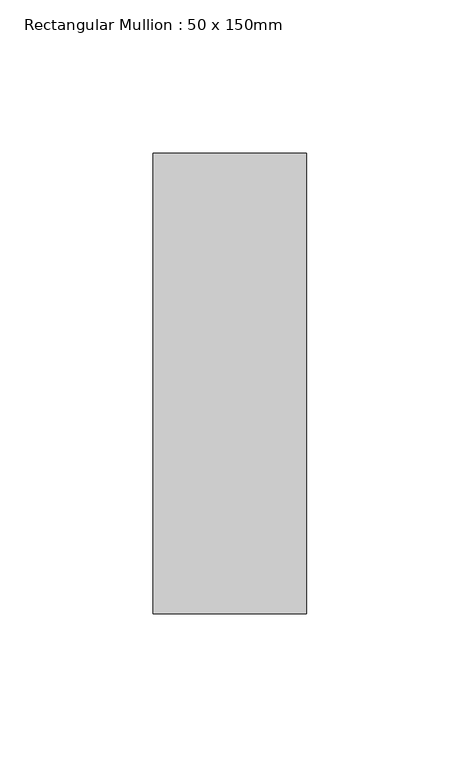
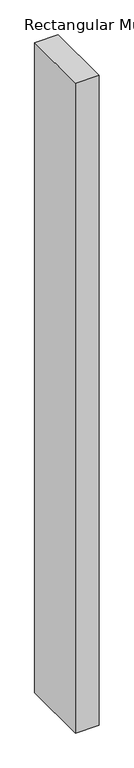
"""IFC4 building model written with IfcOpenShell, lengths in millimetres: member geometry, Rectangular Mullion : 50 x 150mm."""

import ifcopenshell
import ifcopenshell.guid

model = None  # the IFC model being written
_history = None  # IfcOwnerHistory: only IFC2X3 demands one
_inside = {}  # id of a spatial element -> (the spatial element, [elements in it])
_under = {}  # id of a project, library or spatial element -> (it, [spatial elements below it])
_declared = {}  # id of a project -> (the project, [libraries it declares])
_typed = {}  # id of a type object -> (the type object, [elements of that type])
_made_of = {}  # id of a material, layer set ... -> (it, [elements and type objects made of it])


def new_model(schema):
    """Start an empty IFC model of exactly this schema.

    Asked for "IFC4X3", IfcOpenShell would pick the latest addendum, in which some entities
    have other attributes; the version numbers below select the first issue.
    IFC2X3 requires an IfcOwnerHistory on every rooted entity: one is made here for all.
    """
    global model, _history
    if schema == "IFC4X3":
        model = ifcopenshell.file(schema_version=(4, 3, 0, 0))
    else:
        model = ifcopenshell.file(schema=schema)
    _inside.clear()
    _under.clear()
    _declared.clear()
    _typed.clear()
    _made_of.clear()
    _history = None
    if model.schema == "IFC2X3":
        org = make("IfcOrganization", Name="unknown")
        user = make(
            "IfcPersonAndOrganization",
            ThePerson=make("IfcPerson", FamilyName="unknown"),
            TheOrganization=org,
        )
        app = make(
            "IfcApplication",
            ApplicationDeveloper=org,
            Version="unknown",
            ApplicationFullName="unknown",
            ApplicationIdentifier="unknown",
        )
        _history = make(
            "IfcOwnerHistory",
            OwningUser=user,
            OwningApplication=app,
            ChangeAction="ADDED",
            CreationDate=0,
        )
    return model


def make(cls, **values):
    """One entity of the class cls with the attributes given. An attribute that is None is left unset."""
    return model.create_entity(
        cls, **{name: value for name, value in values.items() if value is not None}
    )


def rooted(cls, **values):
    """An entity with a GlobalId (a new one), such as an element, a storey or a relation."""
    return make(cls, GlobalId=ifcopenshell.guid.new(), OwnerHistory=_history, **values)


def si_unit(unit_type, name, prefix=None):
    """IfcSIUnit, for example si_unit("LENGTHUNIT", "METRE", prefix="MILLI")."""
    return make("IfcSIUnit", UnitType=unit_type, Prefix=prefix, Name=name)


def assignment(units):
    """IfcUnitAssignment: the units of a project."""
    return None if units is None else make("IfcUnitAssignment", Units=units)


def point(xyz):
    """IfcCartesianPoint."""
    return None if xyz is None else make("IfcCartesianPoint", Coordinates=xyz)


def direction(xyz):
    """IfcDirection."""
    return None if xyz is None else make("IfcDirection", DirectionRatios=xyz)


def frame(location, z_axis=None, x_axis=None):
    """IfcAxis2Placement3D, a coordinate frame: its origin and axes. An axis left out is left unset."""
    return make(
        "IfcAxis2Placement3D",
        Location=point(location),
        Axis=direction(z_axis),
        RefDirection=direction(x_axis),
    )


def origin():
    """The frame at (0, 0, 0) with its axes left unset."""
    return frame((0.0, 0.0, 0.0))


def place(relative_to, where):
    """IfcLocalPlacement: puts the frame where relative to a parent placement (None: the world)."""
    return make(
        "IfcLocalPlacement", PlacementRelTo=relative_to, RelativePlacement=where
    )


def context(
    kind, dimensions, precision=None, world=None, true_north=None, identifier=None
):
    """IfcGeometricRepresentationContext, for example the 3D "Model" context."""
    return make(
        "IfcGeometricRepresentationContext",
        ContextIdentifier=identifier,
        ContextType=kind,
        CoordinateSpaceDimension=dimensions,
        Precision=precision,
        WorldCoordinateSystem=world,
        TrueNorth=true_north,
    )


def project(units=None, contexts=None):
    """IfcProject with its units and contexts."""
    return rooted(
        "IfcProject",
        Name="project",
        RepresentationContexts=contexts,
        UnitsInContext=assignment(units),
    )


def spatial(cls, under=None, at=None, **own):
    """A site, building, storey or space (cls), placed at a placement, below another one or the project."""
    s = rooted(cls, ObjectPlacement=at, **own)
    if under is not None:
        _under.setdefault(under.id(), (under, []))[1].append(s)
    return s


def polyline(points):
    """IfcPolyline through the points."""
    return make("IfcPolyline", Points=[point(p) for p in points])


def outline(outer, holes=None, kind="AREA"):
    """IfcArbitraryClosedProfileDef: a profile drawn as a closed curve; with holes, ...WithVoids."""
    if holes is None:
        return make("IfcArbitraryClosedProfileDef", ProfileType=kind, OuterCurve=outer)
    return make(
        "IfcArbitraryProfileDefWithVoids",
        ProfileType=kind,
        OuterCurve=outer,
        InnerCurves=holes,
    )


def extrude(swept, where, along, depth):
    """IfcExtrudedAreaSolid: the profile swept, set in the frame where, extruded along a direction by depth."""
    return make(
        "IfcExtrudedAreaSolid",
        SweptArea=swept,
        Position=where,
        ExtrudedDirection=direction(along),
        Depth=depth,
    )


def shape(context_of_items, identifier, shape_type, items):
    """IfcShapeRepresentation: the items that make up one representation, for example the "Body"."""
    return make(
        "IfcShapeRepresentation",
        ContextOfItems=context_of_items,
        RepresentationIdentifier=identifier,
        RepresentationType=shape_type,
        Items=items,
    )


def source(mapping_origin, context_of_items, identifier, shape_type, items):
    """IfcRepresentationMap: a shape defined once, which mapped items show again and again."""
    return make(
        "IfcRepresentationMap",
        MappingOrigin=mapping_origin,
        MappedRepresentation=shape(context_of_items, identifier, shape_type, items),
    )


def transform(
    local_origin,
    x_axis=None,
    y_axis=None,
    z_axis=None,
    scale=None,
    scale2=None,
    scale3=None,
    uniform=True,
):
    """IfcCartesianTransformationOperator3D, or its non-uniform kind. x_axis, y_axis, z_axis: its Axis1, 2, 3."""
    if uniform:
        return make(
            "IfcCartesianTransformationOperator3D",
            Axis1=direction(x_axis),
            Axis2=direction(y_axis),
            LocalOrigin=point(local_origin),
            Scale=scale,
            Axis3=direction(z_axis),
        )
    return make(
        "IfcCartesianTransformationOperator3DnonUniform",
        Axis1=direction(x_axis),
        Axis2=direction(y_axis),
        LocalOrigin=point(local_origin),
        Scale=scale,
        Axis3=direction(z_axis),
        Scale2=scale2,
        Scale3=scale3,
    )


def mapped(mapping_source, mapping_target):
    """IfcMappedItem: shows the shape of a source again, moved by a transform."""
    return make(
        "IfcMappedItem", MappingSource=mapping_source, MappingTarget=mapping_target
    )


def made_of(thing, what):
    """Note that an element or type object is made of a material, layer set ...; save() writes the relation."""
    if what is not None:
        _made_of.setdefault(what.id(), (what, []))[1].append(thing)
    return thing


def element(
    cls,
    number,
    at=None,
    inside=None,
    cuts=None,
    type_object=None,
    material=None,
    context=None,
    identifier="Body",
    shape_type=None,
    held_by="IfcProductDefinitionShape",
    body=None,
    shapes=None,
    **own,
):
    """One element of the class cls, such as IfcWall. Its Tag is "e" and its number.

    at: its placement. inside: the storey or other place that contains it. cuts: it is an
    opening in that element (IfcRelVoidsElement). A single representation is given by context,
    identifier, shape_type and body (its items); several are given by shapes. held_by: the class
    of the entity that holds the representations. save() writes the other relations.
    """
    e = rooted(cls, Tag="e%d" % number, ObjectPlacement=at, **own)
    if body is not None:
        shapes = [shape(context, identifier, shape_type, body)]
    if shapes is not None:
        e.Representation = make(held_by, Representations=shapes)
    if inside is not None:
        _inside.setdefault(inside.id(), (inside, []))[1].append(e)
    if cuts is not None:
        rooted(
            "IfcRelVoidsElement", RelatingBuildingElement=cuts, RelatedOpeningElement=e
        )
    if type_object is not None:
        _typed.setdefault(type_object.id(), (type_object, []))[1].append(e)
    return made_of(e, material)


def aggregate(whole, parts):
    """IfcRelAggregates: a whole, such as a stair, and the parts it consists of."""
    return rooted("IfcRelAggregates", RelatingObject=whole, RelatedObjects=parts)


def save(model, path):
    """Write the relations noted so far, then the file.

    IfcRelAggregates (storeys below a building ...), IfcRelContainedInSpatialStructure (elements
    in a storey), IfcRelDefinesByType, IfcRelAssociatesMaterial and IfcRelDeclares: one each for
    every whole, place, type object, material and project.
    """
    for whole, parts in _under.values():
        aggregate(whole, parts)
    for where, things in _inside.values():
        rooted(
            "IfcRelContainedInSpatialStructure",
            RelatedElements=things,
            RelatingStructure=where,
        )
    for kind, things in _typed.values():
        rooted("IfcRelDefinesByType", RelatedObjects=things, RelatingType=kind)
    for what, things in _made_of.values():
        rooted("IfcRelAssociatesMaterial", RelatedObjects=things, RelatingMaterial=what)
    for by, libraries in _declared.values():
        rooted("IfcRelDeclares", RelatingContext=by, RelatedDefinitions=libraries)
    model.write(path)


def rectangular_mullion_50_x_150mm_3f658349(model_context):
    return source(origin(), model_context, "Body", "SweptSolid", [
        extrude(outline(polyline([(0.0, 75.0), (0.0, -75.0), (-50.0, -75.0), (-50.0, 75.0), (0.0, 75.0)])), frame((0.0, 0.0, -1461.638566), z_axis=(0.0, 0.0, 1.0), x_axis=(1.0, 0.0, 0.0)), (0.0, 0.0, 1.0), 1461.638566),
    ])


if __name__ == "__main__":
    model = new_model("IFC4")
    model_context = context("Model", 3, world=origin())
    ifc_project = project(units=[si_unit("LENGTHUNIT", "METRE", prefix="MILLI")], contexts=[model_context])
    site = spatial("IfcSite", under=ifc_project)
    building = spatial("IfcBuilding", under=site)
    placement = place(None, origin())
    rectangular_mullion_50_x_150mm_shape = rectangular_mullion_50_x_150mm_3f658349(model_context)
    element("IfcMember", 1, ObjectType="Rectangular Mullion : 50 x 150mm", at=placement, inside=building, context=model_context, shape_type="MappedRepresentation", body=[
        mapped(rectangular_mullion_50_x_150mm_shape, transform((0.0, 0.0, 0.0), x_axis=(1.0, 0.0, 0.0), y_axis=(0.0, 1.0, 0.0), z_axis=(0.0, 0.0, 1.0))),
    ])
    save(model, "model.ifc")
